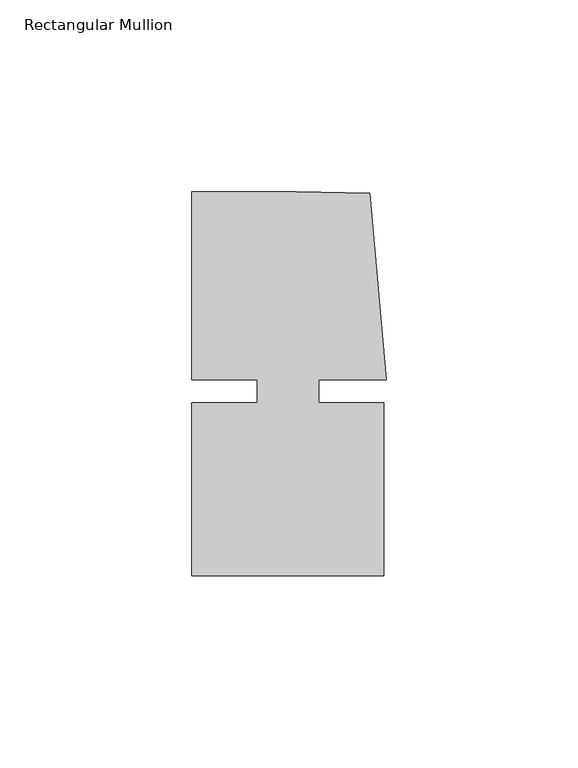
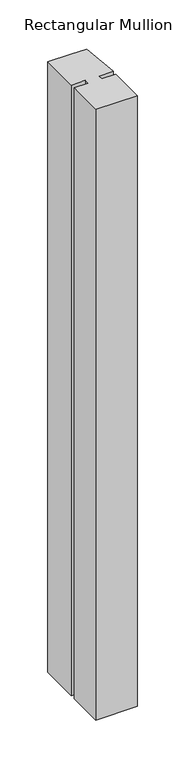
"""IFC4 building model written with IfcOpenShell, lengths in millimetres: member geometry, Rectangular Mullion."""

from ifc_helpers import new_model, si_unit, frame, origin, place, context, project, spatial, polyline, outline, extrude, source, transform, mapped, element, save


def rectangular_mullion_2f7d3945(model_context):
    return source(origin(), model_context, "Body", "SweptSolid", [
        extrude(outline(polyline([(8.0004917, -3.0000287), (25.00003, -3.0000271), (25.0000344, -48.0000271), (-24.9999656, -48.000032), (-24.99997, -3.000032), (-8.0004317, -3.0000303), (-8.0004323, 2.999987), (-24.9999706, 2.9999853), (-24.9999754, 51.999968), (2.2554581, 51.9999707), (21.3623265, 51.5846059), (25.6129344, 2.9999903), (8.0004911, 2.9999885), (8.0004917, -3.0000287)])), frame((0.0, 0.0, -777.9996774), z_axis=(0.0, 0.0, 1.0), x_axis=(1.0, 0.0, 0.0)), (0.0, 0.0, 1.0), 777.9996774),
    ])


if __name__ == "__main__":
    model = new_model("IFC4")
    model_context = context("Model", 3, world=origin())
    ifc_project = project(units=[si_unit("LENGTHUNIT", "METRE", prefix="MILLI")], contexts=[model_context])
    site = spatial("IfcSite", under=ifc_project)
    building = spatial("IfcBuilding", under=site)
    placement = place(None, origin())
    rectangular_mullion_shape = rectangular_mullion_2f7d3945(model_context)
    element("IfcMember", 1, ObjectType="Rectangular Mullion", at=placement, inside=building, context=model_context, shape_type="MappedRepresentation", body=[
        mapped(rectangular_mullion_shape, transform((0.0, 0.0, 0.0), x_axis=(1.0, 0.0, 0.0), y_axis=(0.0, 1.0, 0.0), z_axis=(0.0, 0.0, 1.0))),
    ])
    save(model, "model.ifc")
